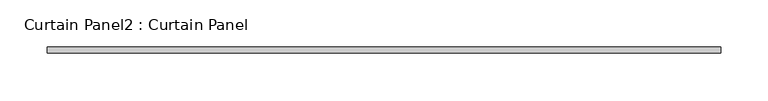
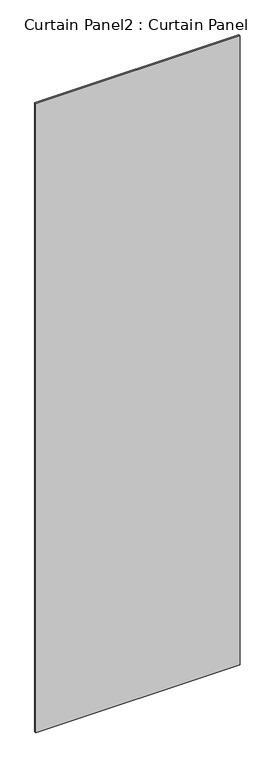
"""IFC4 building model written with IfcOpenShell, lengths in millimetres: plate geometry, Curtain Panel2 : Curtain Panel."""

from ifc_helpers import new_model, si_unit, frame, origin, place, context, project, spatial, polyline, outline, extrude, source, transform, mapped, element, save


def curtain_panel2_curtain_panel_3ce93a41(model_context):
    return source(origin(), model_context, "Body", "SweptSolid", [
        extrude(outline(polyline([(-49850.3641567, -1987.4352036), (-50560.9965141, -1987.4352036), (-50560.9965141, -1981.0852036), (-49850.3641567, -1981.0852036), (-49850.3641567, -1987.4352036)])), frame((0.0, 0.0, 5811.8015398), z_axis=(0.0, 0.0, 1.0), x_axis=(1.0, 0.0, 0.0)), (0.0, 0.0, 1.0), 2315.3878),
    ])


if __name__ == "__main__":
    model = new_model("IFC4")
    model_context = context("Model", 3, world=origin())
    ifc_project = project(units=[si_unit("LENGTHUNIT", "METRE", prefix="MILLI")], contexts=[model_context])
    site = spatial("IfcSite", under=ifc_project)
    building = spatial("IfcBuilding", under=site)
    placement = place(None, origin())
    curtain_panel2_curtain_panel_shape = curtain_panel2_curtain_panel_3ce93a41(model_context)
    element("IfcPlate", 1, ObjectType="Curtain Panel2 : Curtain Panel", at=placement, inside=building, context=model_context, shape_type="MappedRepresentation", body=[
        mapped(curtain_panel2_curtain_panel_shape, transform((0.0, 0.0, 0.0), x_axis=(1.0, 0.0, 0.0), y_axis=(0.0, 1.0, 0.0), z_axis=(0.0, 0.0, 1.0))),
    ])
    save(model, "model.ifc")
